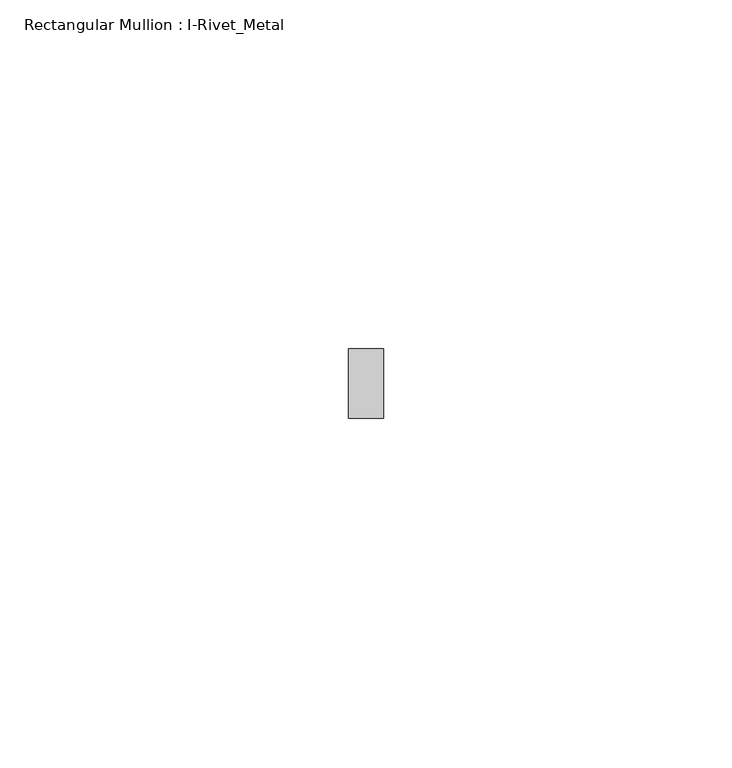
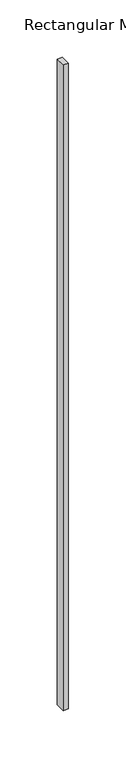
"""IFC4 building model written with IfcOpenShell, lengths in millimetres: member geometry, Rectangular Mullion : I-Rivet_Metal."""

from ifc_helpers import new_model, si_unit, frame, origin, place, context, project, spatial, polyline, outline, extrude, source, transform, mapped, element, save


def rectangular_mullion_i_rivet_metal_338dcc96(model_context):
    return source(origin(), model_context, "Body", "SweptSolid", [
        extrude(outline(polyline([(2.5, 70.0), (-2.5, 70.0), (-2.5, 80.0), (2.5, 80.0), (2.5, 70.0)])), frame((0.0, 0.0, -685.974272), z_axis=(0.0, 0.0, 1.0), x_axis=(1.0, 0.0, 0.0)), (0.0, 0.0, 1.0), 685.974272),
    ])


if __name__ == "__main__":
    model = new_model("IFC4")
    model_context = context("Model", 3, world=origin())
    ifc_project = project(units=[si_unit("LENGTHUNIT", "METRE", prefix="MILLI")], contexts=[model_context])
    site = spatial("IfcSite", under=ifc_project)
    building = spatial("IfcBuilding", under=site)
    placement = place(None, origin())
    rectangular_mullion_i_rivet_metal_shape = rectangular_mullion_i_rivet_metal_338dcc96(model_context)
    element("IfcMember", 1, ObjectType="Rectangular Mullion : I-Rivet_Metal", at=placement, inside=building, context=model_context, shape_type="MappedRepresentation", body=[
        mapped(rectangular_mullion_i_rivet_metal_shape, transform((0.0, 0.0, 0.0), x_axis=(1.0, 0.0, 0.0), y_axis=(0.0, 1.0, 0.0), z_axis=(0.0, 0.0, 1.0))),
    ])
    save(model, "model.ifc")
